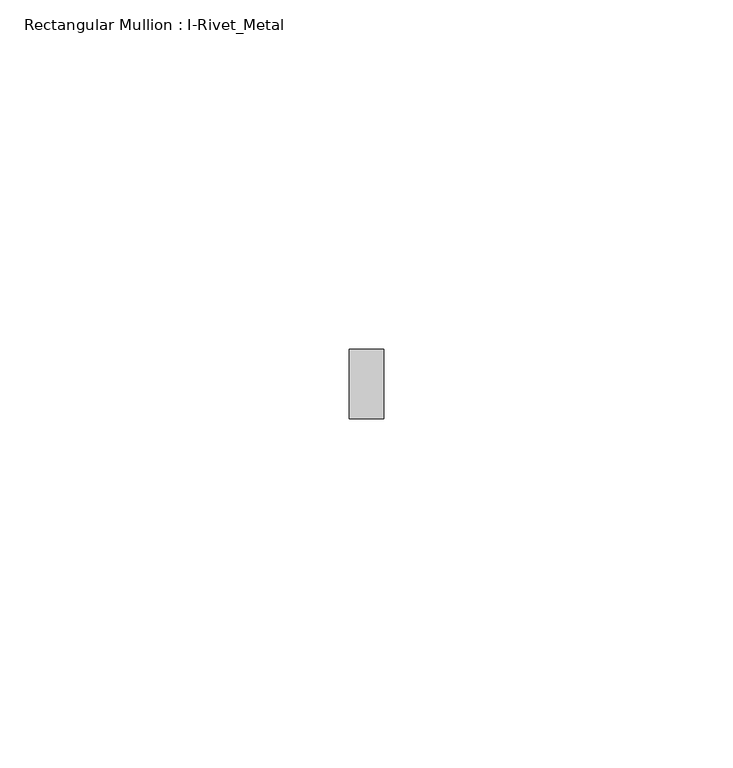
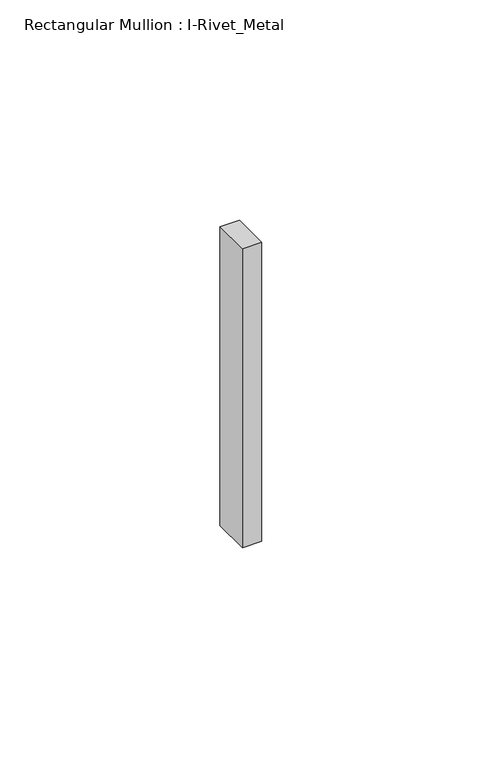
"""IFC4 building model written with IfcOpenShell, lengths in millimetres: member geometry, Rectangular Mullion : I-Rivet_Metal."""

import ifcopenshell
import ifcopenshell.guid

model = None  # the IFC model being written
_history = None  # IfcOwnerHistory: only IFC2X3 demands one
_inside = {}  # id of a spatial element -> (the spatial element, [elements in it])
_under = {}  # id of a project, library or spatial element -> (it, [spatial elements below it])
_declared = {}  # id of a project -> (the project, [libraries it declares])
_typed = {}  # id of a type object -> (the type object, [elements of that type])
_made_of = {}  # id of a material, layer set ... -> (it, [elements and type objects made of it])


def new_model(schema):
    """Start an empty IFC model of exactly this schema.

    Asked for "IFC4X3", IfcOpenShell would pick the latest addendum, in which some entities
    have other attributes; the version numbers below select the first issue.
    IFC2X3 requires an IfcOwnerHistory on every rooted entity: one is made here for all.
    """
    global model, _history
    if schema == "IFC4X3":
        model = ifcopenshell.file(schema_version=(4, 3, 0, 0))
    else:
        model = ifcopenshell.file(schema=schema)
    _inside.clear()
    _under.clear()
    _declared.clear()
    _typed.clear()
    _made_of.clear()
    _history = None
    if model.schema == "IFC2X3":
        org = make("IfcOrganization", Name="unknown")
        user = make(
            "IfcPersonAndOrganization",
            ThePerson=make("IfcPerson", FamilyName="unknown"),
            TheOrganization=org,
        )
        app = make(
            "IfcApplication",
            ApplicationDeveloper=org,
            Version="unknown",
            ApplicationFullName="unknown",
            ApplicationIdentifier="unknown",
        )
        _history = make(
            "IfcOwnerHistory",
            OwningUser=user,
            OwningApplication=app,
            ChangeAction="ADDED",
            CreationDate=0,
        )
    return model


def make(cls, **values):
    """One entity of the class cls with the attributes given. An attribute that is None is left unset."""
    return model.create_entity(
        cls, **{name: value for name, value in values.items() if value is not None}
    )


def rooted(cls, **values):
    """An entity with a GlobalId (a new one), such as an element, a storey or a relation."""
    return make(cls, GlobalId=ifcopenshell.guid.new(), OwnerHistory=_history, **values)


def si_unit(unit_type, name, prefix=None):
    """IfcSIUnit, for example si_unit("LENGTHUNIT", "METRE", prefix="MILLI")."""
    return make("IfcSIUnit", UnitType=unit_type, Prefix=prefix, Name=name)


def assignment(units):
    """IfcUnitAssignment: the units of a project."""
    return None if units is None else make("IfcUnitAssignment", Units=units)


def point(xyz):
    """IfcCartesianPoint."""
    return None if xyz is None else make("IfcCartesianPoint", Coordinates=xyz)


def direction(xyz):
    """IfcDirection."""
    return None if xyz is None else make("IfcDirection", DirectionRatios=xyz)


def frame(location, z_axis=None, x_axis=None):
    """IfcAxis2Placement3D, a coordinate frame: its origin and axes. An axis left out is left unset."""
    return make(
        "IfcAxis2Placement3D",
        Location=point(location),
        Axis=direction(z_axis),
        RefDirection=direction(x_axis),
    )


def origin():
    """The frame at (0, 0, 0) with its axes left unset."""
    return frame((0.0, 0.0, 0.0))


def place(relative_to, where):
    """IfcLocalPlacement: puts the frame where relative to a parent placement (None: the world)."""
    return make(
        "IfcLocalPlacement", PlacementRelTo=relative_to, RelativePlacement=where
    )


def context(
    kind, dimensions, precision=None, world=None, true_north=None, identifier=None
):
    """IfcGeometricRepresentationContext, for example the 3D "Model" context."""
    return make(
        "IfcGeometricRepresentationContext",
        ContextIdentifier=identifier,
        ContextType=kind,
        CoordinateSpaceDimension=dimensions,
        Precision=precision,
        WorldCoordinateSystem=world,
        TrueNorth=true_north,
    )


def project(units=None, contexts=None):
    """IfcProject with its units and contexts."""
    return rooted(
        "IfcProject",
        Name="project",
        RepresentationContexts=contexts,
        UnitsInContext=assignment(units),
    )


def spatial(cls, under=None, at=None, **own):
    """A site, building, storey or space (cls), placed at a placement, below another one or the project."""
    s = rooted(cls, ObjectPlacement=at, **own)
    if under is not None:
        _under.setdefault(under.id(), (under, []))[1].append(s)
    return s


def polyline(points):
    """IfcPolyline through the points."""
    return make("IfcPolyline", Points=[point(p) for p in points])


def outline(outer, holes=None, kind="AREA"):
    """IfcArbitraryClosedProfileDef: a profile drawn as a closed curve; with holes, ...WithVoids."""
    if holes is None:
        return make("IfcArbitraryClosedProfileDef", ProfileType=kind, OuterCurve=outer)
    return make(
        "IfcArbitraryProfileDefWithVoids",
        ProfileType=kind,
        OuterCurve=outer,
        InnerCurves=holes,
    )


def extrude(swept, where, along, depth):
    """IfcExtrudedAreaSolid: the profile swept, set in the frame where, extruded along a direction by depth."""
    return make(
        "IfcExtrudedAreaSolid",
        SweptArea=swept,
        Position=where,
        ExtrudedDirection=direction(along),
        Depth=depth,
    )


def shape(context_of_items, identifier, shape_type, items):
    """IfcShapeRepresentation: the items that make up one representation, for example the "Body"."""
    return make(
        "IfcShapeRepresentation",
        ContextOfItems=context_of_items,
        RepresentationIdentifier=identifier,
        RepresentationType=shape_type,
        Items=items,
    )


def source(mapping_origin, context_of_items, identifier, shape_type, items):
    """IfcRepresentationMap: a shape defined once, which mapped items show again and again."""
    return make(
        "IfcRepresentationMap",
        MappingOrigin=mapping_origin,
        MappedRepresentation=shape(context_of_items, identifier, shape_type, items),
    )


def transform(
    local_origin,
    x_axis=None,
    y_axis=None,
    z_axis=None,
    scale=None,
    scale2=None,
    scale3=None,
    uniform=True,
):
    """IfcCartesianTransformationOperator3D, or its non-uniform kind. x_axis, y_axis, z_axis: its Axis1, 2, 3."""
    if uniform:
        return make(
            "IfcCartesianTransformationOperator3D",
            Axis1=direction(x_axis),
            Axis2=direction(y_axis),
            LocalOrigin=point(local_origin),
            Scale=scale,
            Axis3=direction(z_axis),
        )
    return make(
        "IfcCartesianTransformationOperator3DnonUniform",
        Axis1=direction(x_axis),
        Axis2=direction(y_axis),
        LocalOrigin=point(local_origin),
        Scale=scale,
        Axis3=direction(z_axis),
        Scale2=scale2,
        Scale3=scale3,
    )


def mapped(mapping_source, mapping_target):
    """IfcMappedItem: shows the shape of a source again, moved by a transform."""
    return make(
        "IfcMappedItem", MappingSource=mapping_source, MappingTarget=mapping_target
    )


def made_of(thing, what):
    """Note that an element or type object is made of a material, layer set ...; save() writes the relation."""
    if what is not None:
        _made_of.setdefault(what.id(), (what, []))[1].append(thing)
    return thing


def element(
    cls,
    number,
    at=None,
    inside=None,
    cuts=None,
    type_object=None,
    material=None,
    context=None,
    identifier="Body",
    shape_type=None,
    held_by="IfcProductDefinitionShape",
    body=None,
    shapes=None,
    **own,
):
    """One element of the class cls, such as IfcWall. Its Tag is "e" and its number.

    at: its placement. inside: the storey or other place that contains it. cuts: it is an
    opening in that element (IfcRelVoidsElement). A single representation is given by context,
    identifier, shape_type and body (its items); several are given by shapes. held_by: the class
    of the entity that holds the representations. save() writes the other relations.
    """
    e = rooted(cls, Tag="e%d" % number, ObjectPlacement=at, **own)
    if body is not None:
        shapes = [shape(context, identifier, shape_type, body)]
    if shapes is not None:
        e.Representation = make(held_by, Representations=shapes)
    if inside is not None:
        _inside.setdefault(inside.id(), (inside, []))[1].append(e)
    if cuts is not None:
        rooted(
            "IfcRelVoidsElement", RelatingBuildingElement=cuts, RelatedOpeningElement=e
        )
    if type_object is not None:
        _typed.setdefault(type_object.id(), (type_object, []))[1].append(e)
    return made_of(e, material)


def aggregate(whole, parts):
    """IfcRelAggregates: a whole, such as a stair, and the parts it consists of."""
    return rooted("IfcRelAggregates", RelatingObject=whole, RelatedObjects=parts)


def save(model, path):
    """Write the relations noted so far, then the file.

    IfcRelAggregates (storeys below a building ...), IfcRelContainedInSpatialStructure (elements
    in a storey), IfcRelDefinesByType, IfcRelAssociatesMaterial and IfcRelDeclares: one each for
    every whole, place, type object, material and project.
    """
    for whole, parts in _under.values():
        aggregate(whole, parts)
    for where, things in _inside.values():
        rooted(
            "IfcRelContainedInSpatialStructure",
            RelatedElements=things,
            RelatingStructure=where,
        )
    for kind, things in _typed.values():
        rooted("IfcRelDefinesByType", RelatedObjects=things, RelatingType=kind)
    for what, things in _made_of.values():
        rooted("IfcRelAssociatesMaterial", RelatedObjects=things, RelatingMaterial=what)
    for by, libraries in _declared.values():
        rooted("IfcRelDeclares", RelatingContext=by, RelatedDefinitions=libraries)
    model.write(path)


def rectangular_mullion_i_rivet_metal_096ef3ea(model_context):
    return source(origin(), model_context, "Body", "SweptSolid", [
        extrude(outline(polyline([(2.5, 70.0), (-2.5, 70.0), (-2.5, 80.0), (2.5, 80.0), (2.5, 70.0)])), frame((0.0, 0.0, -82.7200577), z_axis=(0.0, 0.0, 1.0), x_axis=(1.0, 0.0, 0.0)), (0.0, 0.0, 1.0), 82.7200577),
    ])


if __name__ == "__main__":
    model = new_model("IFC4")
    model_context = context("Model", 3, world=origin())
    ifc_project = project(units=[si_unit("LENGTHUNIT", "METRE", prefix="MILLI")], contexts=[model_context])
    site = spatial("IfcSite", under=ifc_project)
    building = spatial("IfcBuilding", under=site)
    placement = place(None, origin())
    rectangular_mullion_i_rivet_metal_shape = rectangular_mullion_i_rivet_metal_096ef3ea(model_context)
    element("IfcMember", 1, ObjectType="Rectangular Mullion : I-Rivet_Metal", at=placement, inside=building, context=model_context, shape_type="MappedRepresentation", body=[
        mapped(rectangular_mullion_i_rivet_metal_shape, transform((0.0, 0.0, 0.0), x_axis=(1.0, 0.0, 0.0), y_axis=(0.0, 1.0, 0.0), z_axis=(0.0, 0.0, 1.0))),
    ])
    save(model, "model.ifc")
